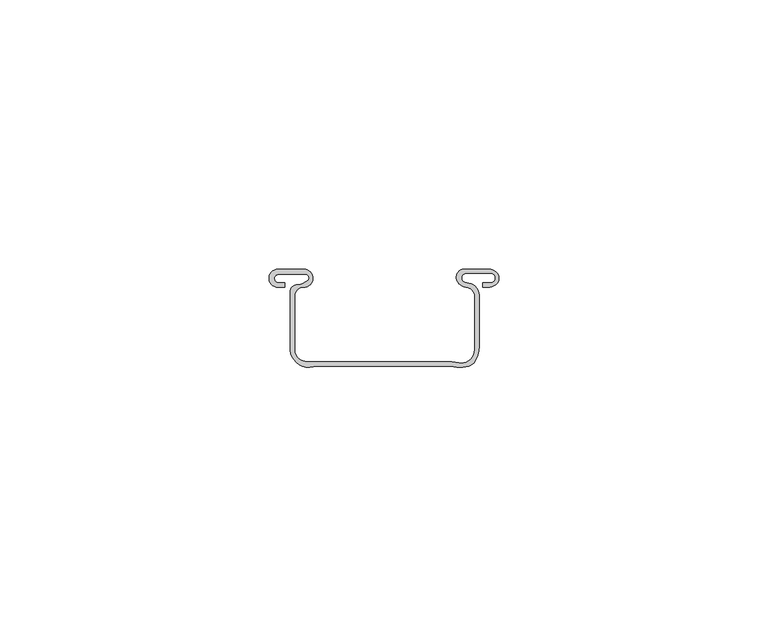
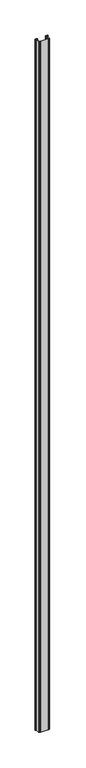
"""IFC4 building model written with IfcOpenShell, lengths in millimetres: proxy geometry."""

from ifc_helpers import new_model, si_unit, frame, origin, place, context, project, spatial, polyline, circle_curve, source, transform, mapped, element, save
from ifc_brep_helpers import plane_surface, cylinder_surface, revolved_surface, advanced_brep


def generic_models_feb479af(model_context):
    return source(origin(), model_context, "Body", "AdvancedBrep", [
        advanced_brep(
        [(-34.2154576, 14.6591098, 2400.0), (-32.9596842, 14.6591098, 2400.0), (-32.9596842, 15.5074259, 2400.0), (-34.3337717, 15.5074259, 2400.0), (-34.0750517, 17.0884922, 2400.0), (-29.8460569, 17.0884922, 2400.0), (-28.8111772, 16.9447589, 2400.0), (-28.6047269, 16.0017225, 2400.0), (-30.5412727, 15.1670708, 2400.0), (-31.94828, 13.7600635, 2400.0), (-31.94828, 2.8794148, 2400.0), (-30.2999777, 0.3, 2400.0), (-27.6632331, -0.1288019, 2400.0), (-26.5426458, 0.0, 2400.0), (-2.0700668, 0.0, 2400.0), (1.2564607, 0.0, 2400.0), (2.3367021, 0.85, 2400.0), (3.1444502, 3.7221981, 2400.0), (3.1444502, 13.1641825, 2400.0), (0.8189992, 15.4896334, 2400.0), (0.8189992, 17.2894243, 2400.0), (5.3026366, 17.2894243, 2400.0), (5.3026366, 15.4896334, 2400.0), (3.8514229, 15.4896334, 2400.0), (3.8514229, 14.6908707, 2400.0), (5.1168794, 14.6908707, 2400.0), (6.5135876, 15.4403864, 2400.0), (6.5518958, 17.2336569, 2400.0), (4.896903, 18.0430633, 2400.0), (0.6302035, 18.0430633, 2400.0), (-1.0459845, 16.3518151, 2400.0), (0.6598988, 14.6905238, 2400.0), (2.3367021, 12.8705255, 2400.0), (2.3367021, 3.0560401, 2400.0), (-0.6701163, 0.5905256, 2400.0), (-1.9233003, 0.85, 2400.0), (-26.7197678, 0.85, 2400.0), (-28.7713465, 0.85, 2400.0), (-31.1290539, 3.0560401, 2400.0), (-31.1290539, 5.0825513, 2400.0), (-31.1286513, 12.9825592, 2400.0), (-29.4522506, 14.6588738, 2400.0), (-29.4225553, 18.0114133, 2400.0), (-34.2293916, 18.0120206, 2400.0), (-34.2154576, 14.6591098, 0.0), (-34.2293916, 18.0120206, 0.0), (-29.4130009, 18.0120206, 0.0), (-29.4522506, 14.6588738, 0.0), (-31.1286513, 12.9825592, 0.0), (-31.1290539, 5.0825513, 0.0), (-31.1290539, 3.0560401, 0.0), (-28.7713465, 0.85, 0.0), (-26.7197678, 0.85, 0.0), (-1.9233003, 0.85, 0.0), (-0.6701163, 0.5905256, 0.0), (2.3367021, 3.0560401, 0.0), (2.3367021, 12.8705255, 0.0), (0.6598988, 14.6905238, 0.0), (-1.0459845, 16.3518151, 0.0), (0.6302035, 18.0430633, 0.0), (4.896903, 18.0430633, 0.0), (6.5518958, 17.2336569, 0.0), (6.5135876, 15.4403864, 0.0), (5.1168794, 14.6908707, 0.0), (3.8514229, 14.6908707, 0.0), (3.8514229, 15.4896334, 0.0), (5.3026366, 15.4896334, 0.0), (5.3026366, 17.2894243, 0.0), (0.8189992, 17.2894243, 0.0), (0.8189992, 15.4896334, 0.0), (3.1444502, 13.1641825, 0.0), (3.1444502, 3.7221981, 0.0), (2.3367021, 0.85, 0.0), (1.2564607, 0.0, 0.0), (-2.0700668, 0.0, 0.0), (-26.5426458, 0.0, 0.0), (-27.6632331, -0.1288019, 0.0), (-30.2999777, 0.3, 0.0), (-31.94828, 2.8794148, 0.0), (-31.94828, 13.7600635, 0.0), (-30.5412727, 15.1670708, 0.0), (-28.6047269, 16.0017225, 0.0), (-28.8111772, 16.9447589, 0.0), (-29.8460569, 17.0884922, 0.0), (-34.0750517, 17.0884922, 0.0), (-34.3337717, 15.5074259, 0.0), (-32.9596842, 15.5074259, 0.0), (-32.9596842, 14.6591098, 0.0)],
        [
            (0, 1),
            (1, 2),
            (2, 3),
            (3, 4, circle_curve(frame((-34.0750517, 16.276791, 2400.0), z_axis=(0.0, 0.0, -1.0), x_axis=(1.0, 0.0, 0.0)), 0.8117011)),
            (4, 5),
            (5, 6, circle_curve(frame((-29.6162577, 14.945613, 2400.0), z_axis=(0.0, 0.0, -1.0), x_axis=(1.0, 0.0, 0.0)), 2.1551656)),
            (6, 7, circle_curve(frame((-29.0294032, 16.4028683, 2400.0), z_axis=(0.0, 0.0, -1.0), x_axis=(1.0, 0.0, 0.0)), 0.5841814)),
            (7, 8, circle_curve(frame((-30.5412727, 17.8309684, 2400.0), z_axis=(0.0, 0.0, -1.0), x_axis=(1.0, 0.0, 0.0)), 2.6638976)),
            (8, 9, circle_curve(frame((-30.5412727, 13.7600635, 2400.0), z_axis=(0.0, 0.0, 1.0), x_axis=(1.0, 0.0, 0.0)), 1.4070073)),
            (9, 10),
            (10, 11, circle_curve(frame((-28.4601556, 3.2920443, 2400.0), z_axis=(0.0, 0.0, 1.0), x_axis=(1.0, 0.0, 0.0)), 3.5124457)),
            (11, 12, circle_curve(frame((-28.4601556, 3.2920443, 2400.0), z_axis=(0.0, 0.0, 1.0), x_axis=(1.0, 0.0, 0.0)), 3.5124457)),
            (12, 13, circle_curve(frame((-26.5426458, -4.9390017, 2400.0), z_axis=(0.0, 0.0, -1.0), x_axis=(1.0, 0.0, 0.0)), 4.9390017)),
            (13, 14),
            (14, 15, circle_curve(frame((-0.4068031, 5.1771054, 2400.0), z_axis=(0.0, 0.0, 1.0), x_axis=(1.0, 0.0, 0.0)), 5.4377262)),
            (15, 16, circle_curve(frame((0.6529983, 1.8783482, 2400.0), z_axis=(0.0, 0.0, 1.0), x_axis=(1.0, 0.0, 0.0)), 1.9729062)),
            (16, 17, circle_curve(frame((-2.3659182, 3.7221981, 2400.0), z_axis=(0.0, 0.0, 1.0), x_axis=(1.0, 0.0, 0.0)), 5.5103684)),
            (17, 18),
            (18, 19, circle_curve(frame((0.8189992, 13.1641825, 2400.0), z_axis=(0.0, 0.0, 1.0), x_axis=(1.0, 0.0, 0.0)), 2.325451)),
            (19, 20, circle_curve(frame((0.8189992, 16.3895289, 2400.0), z_axis=(0.0, 0.0, -1.0), x_axis=(1.0, 0.0, 0.0)), 0.8998954)),
            (20, 21),
            (21, 22, circle_curve(frame((5.3026366, 16.3895289, 2400.0), z_axis=(0.0, 0.0, -1.0), x_axis=(1.0, 0.0, 0.0)), 0.8998954)),
            (22, 23),
            (23, 24),
            (24, 25),
            (25, 26, circle_curve(frame((4.8617471, 16.8424322, 2400.0), z_axis=(0.0, 0.0, 1.0), x_axis=(1.0, 0.0, 0.0)), 2.1666355)),
            (26, 27, circle_curve(frame((5.4294356, 16.3605907, 2400.0), z_axis=(0.0, 0.0, 1.0), x_axis=(1.0, 0.0, 0.0)), 1.4220272)),
            (27, 28, circle_curve(frame((4.896903, 15.9463788, 2400.0), z_axis=(0.0, 0.0, 1.0), x_axis=(1.0, 0.0, 0.0)), 2.0966845)),
            (28, 29),
            (29, 30, circle_curve(frame((0.4780769, 16.5175803, 2400.0), z_axis=(0.0, 0.0, 1.0), x_axis=(1.0, 0.0, 0.0)), 1.5330496)),
            (30, 31, circle_curve(frame((0.8127735, 16.5539837, 2400.0), z_axis=(0.0, 0.0, 1.0), x_axis=(1.0, 0.0, 0.0)), 1.8697201)),
            (31, 32, circle_curve(frame((0.5105896, 12.8705255, 2400.0), z_axis=(0.0, 0.0, -1.0), x_axis=(1.0, 0.0, 0.0)), 1.8261125)),
            (32, 33),
            (33, 34, circle_curve(frame((-0.163237, 3.038601, 2400.0), z_axis=(0.0, 0.0, -1.0), x_axis=(1.0, 0.0, 0.0)), 2.5)),
            (34, 35),
            (35, 36),
            (36, 37, circle_curve(frame((-27.7455572, -14.5662271, 2400.0), z_axis=(0.0, 0.0, 1.0), x_axis=(1.0, 0.0, 0.0)), 15.4503172)),
            (37, 38, circle_curve(frame((-28.9181355, 3.0560401, 2400.0), z_axis=(0.0, 0.0, -1.0), x_axis=(1.0, 0.0, 0.0)), 2.2109184)),
            (38, 39),
            (39, 40, circle_curve(frame((-459.156208, 9.0543688, 2400.0), z_axis=(0.0, 0.0, 1.0), x_axis=(1.0, 0.0, 0.0)), 428.0455816)),
            (40, 41, circle_curve(frame((-29.4675803, 12.9978035, 2400.0), z_axis=(0.0, 0.0, -1.0), x_axis=(1.0, 0.0, 0.0)), 1.6611409)),
            (41, 42, circle_curve(frame((-29.4367806, 16.335138, 2400.0), z_axis=(0.0, 0.0, 1.0), x_axis=(1.0, 0.0, 0.0)), 1.6763356)),
            (42, 43),
            (43, 0, circle_curve(frame((-34.2154576, 16.3355942, 2400.0), z_axis=(0.0, 0.0, 1.0), x_axis=(1.0, 0.0, 0.0)), 1.6764844)),
            (44, 45, circle_curve(frame((-34.2154576, 16.3355942, 0.0), z_axis=(0.0, 0.0, -1.0), x_axis=(1.0, 0.0, 0.0)), 1.6764844)),
            (45, 46),
            (46, 47, circle_curve(frame((-29.4367806, 16.335138, 0.0), z_axis=(0.0, 0.0, -1.0), x_axis=(1.0, 0.0, 0.0)), 1.6763356)),
            (47, 48, circle_curve(frame((-29.4675803, 12.9978035, 0.0), z_axis=(0.0, 0.0, 1.0), x_axis=(1.0, 0.0, 0.0)), 1.6611409)),
            (48, 49, circle_curve(frame((-459.156208, 9.0543688, 0.0), z_axis=(0.0, 0.0, -1.0), x_axis=(1.0, 0.0, 0.0)), 428.0455816)),
            (49, 50),
            (50, 51, circle_curve(frame((-28.9181355, 3.0560401, 0.0), z_axis=(0.0, 0.0, 1.0), x_axis=(1.0, 0.0, 0.0)), 2.2109184)),
            (51, 52, circle_curve(frame((-27.7455572, -14.5662271, 0.0), z_axis=(0.0, 0.0, -1.0), x_axis=(1.0, 0.0, 0.0)), 15.4503172)),
            (52, 53),
            (53, 54),
            (54, 55, circle_curve(frame((-0.163237, 3.038601, 0.0), z_axis=(0.0, 0.0, 1.0), x_axis=(1.0, 0.0, 0.0)), 2.5)),
            (55, 56),
            (56, 57, circle_curve(frame((0.5105896, 12.8705255, 0.0), z_axis=(0.0, 0.0, 1.0), x_axis=(1.0, 0.0, 0.0)), 1.8261125)),
            (57, 58, circle_curve(frame((0.8127735, 16.5539837, 0.0), z_axis=(0.0, 0.0, -1.0), x_axis=(1.0, 0.0, 0.0)), 1.8697201)),
            (58, 59, circle_curve(frame((0.4780769, 16.5175803, 0.0), z_axis=(0.0, 0.0, -1.0), x_axis=(1.0, 0.0, 0.0)), 1.5330496)),
            (59, 60),
            (60, 61, circle_curve(frame((4.896903, 15.9463788, 0.0), z_axis=(0.0, 0.0, -1.0), x_axis=(1.0, 0.0, 0.0)), 2.0966845)),
            (61, 62, circle_curve(frame((5.4294356, 16.3605907, 0.0), z_axis=(0.0, 0.0, -1.0), x_axis=(1.0, 0.0, 0.0)), 1.4220272)),
            (62, 63, circle_curve(frame((4.8617471, 16.8424322, 0.0), z_axis=(0.0, 0.0, -1.0), x_axis=(1.0, 0.0, 0.0)), 2.1666355)),
            (63, 64),
            (64, 65),
            (65, 66),
            (66, 67, circle_curve(frame((5.3026366, 16.3895289, 0.0), z_axis=(0.0, 0.0, 1.0), x_axis=(1.0, 0.0, 0.0)), 0.8998954)),
            (67, 68),
            (68, 69, circle_curve(frame((0.8189992, 16.3895289, 0.0), z_axis=(0.0, 0.0, 1.0), x_axis=(1.0, 0.0, 0.0)), 0.8998954)),
            (69, 70, circle_curve(frame((0.8189992, 13.1641825, 0.0), z_axis=(0.0, 0.0, -1.0), x_axis=(1.0, 0.0, 0.0)), 2.325451)),
            (70, 71),
            (71, 72, circle_curve(frame((-2.3659182, 3.7221981, 0.0), z_axis=(0.0, 0.0, -1.0), x_axis=(1.0, 0.0, 0.0)), 5.5103684)),
            (72, 73, circle_curve(frame((0.6529983, 1.8783482, 0.0), z_axis=(0.0, 0.0, -1.0), x_axis=(1.0, 0.0, 0.0)), 1.9729062)),
            (73, 74, circle_curve(frame((-0.4068031, 5.1771054, 0.0), z_axis=(0.0, 0.0, -1.0), x_axis=(1.0, 0.0, 0.0)), 5.4377262)),
            (74, 75),
            (75, 76, circle_curve(frame((-26.5426458, -4.9390017, 0.0), z_axis=(0.0, 0.0, 1.0), x_axis=(1.0, 0.0, 0.0)), 4.9390017)),
            (76, 77, circle_curve(frame((-28.4601556, 3.2920443, 0.0), z_axis=(0.0, 0.0, -1.0), x_axis=(1.0, 0.0, 0.0)), 3.5124457)),
            (77, 78, circle_curve(frame((-28.4601556, 3.2920443, 0.0), z_axis=(0.0, 0.0, -1.0), x_axis=(1.0, 0.0, 0.0)), 3.5124457)),
            (78, 79),
            (79, 80, circle_curve(frame((-30.5412727, 13.7600635, 0.0), z_axis=(0.0, 0.0, -1.0), x_axis=(1.0, 0.0, 0.0)), 1.4070073)),
            (80, 81, circle_curve(frame((-30.5412727, 17.8309684, 0.0), z_axis=(0.0, 0.0, 1.0), x_axis=(1.0, 0.0, 0.0)), 2.6638976)),
            (81, 82, circle_curve(frame((-29.0294032, 16.4028683, 0.0), z_axis=(0.0, 0.0, 1.0), x_axis=(1.0, 0.0, 0.0)), 0.5841814)),
            (82, 83, circle_curve(frame((-29.6162577, 14.945613, 0.0), z_axis=(0.0, 0.0, 1.0), x_axis=(1.0, 0.0, 0.0)), 2.1551656)),
            (83, 84),
            (84, 85, circle_curve(frame((-34.0750517, 16.276791, 0.0), z_axis=(0.0, 0.0, 1.0), x_axis=(1.0, 0.0, 0.0)), 0.8117011)),
            (85, 86),
            (86, 87),
            (87, 44),
            (0, 44),
            (87, 1),
            (86, 2),
            (85, 3),
            (84, 4),
            (5, 83),
            (82, 6),
            (81, 7),
            (80, 8),
            (79, 9),
            (78, 10),
            (77, 11),
            (76, 12),
            (75, 13),
            (74, 14),
            (73, 15),
            (72, 16),
            (71, 17),
            (70, 18),
            (69, 19),
            (68, 20),
            (67, 21),
            (66, 22),
            (65, 23),
            (64, 24),
            (63, 25),
            (62, 26),
            (61, 27),
            (60, 28),
            (59, 29),
            (58, 30),
            (57, 31),
            (56, 32),
            (55, 33),
            (54, 34),
            (53, 35),
            (39, 49),
            (48, 40),
            (47, 41),
            (46, 42),
            (43, 45),
            (36, 52),
            (51, 37),
            (50, 38),
        ],
        [
            plane_surface(frame((-32.9596842, 14.6591098, 2400.0), z_axis=(0.0, 0.0, 1.0), x_axis=(1.0, 0.0, 0.0))),
            plane_surface(frame((-32.9596842, 14.6591098, 0.0), z_axis=(0.0, 0.0, -1.0), x_axis=(-1.0, 0.0, 0.0))),
            plane_surface(frame((-34.2154576, 14.6591098, 2400.0), z_axis=(0.0, -1.0, 0.0), x_axis=(0.0, 0.0, -1.0))),
            plane_surface(frame((-32.9596842, 14.6591098, 2400.0), z_axis=(1.0, 0.0, 0.0), x_axis=(0.0, 0.0, -1.0))),
            plane_surface(frame((-32.9596842, 15.5074259, 2400.0), z_axis=(0.0, 1.0, 0.0), x_axis=(0.0, 0.0, -1.0))),
            revolved_surface(polyline([(-33.2633506, 16.276791, 0.0), (-33.2633506, 16.276791, 2400.0)]), (-34.0750517, 16.276791, 0.0), (0.0, 0.0, -1.0)),
            revolved_surface(polyline([(-27.4610921, 14.945613, 0.0), (-27.4610921, 14.945613, 2400.0)]), (-29.6162577, 14.945613, 0.0), (0.0, 0.0, -1.0)),
            revolved_surface(polyline([(-28.445221800000002, 16.4028683, 0.0), (-28.445221800000002, 16.4028683, 2400.0)]), (-29.0294032, 16.4028683, 0.0), (0.0, 0.0, -1.0)),
            revolved_surface(polyline([(-27.877375100000002, 17.8309684, 0.0), (-27.877375100000002, 17.8309684, 2400.0)]), (-30.5412727, 17.8309684, 0.0), (0.0, 0.0, -1.0)),
            cylinder_surface(frame((-30.5412727, 13.7600635, 0.0), z_axis=(0.0, 0.0, 1.0), x_axis=(1.0, 0.0, 0.0)), 1.4070073),
            plane_surface(frame((-31.94828, 13.7600635, 2400.0), z_axis=(-1.0, 0.0, 0.0), x_axis=(0.0, 0.0, -1.0))),
            cylinder_surface(frame((-28.4601556, 3.2920443, 0.0), z_axis=(0.0, 0.0, 1.0), x_axis=(1.0, 0.0, 0.0)), 3.5124457),
            revolved_surface(polyline([(-21.603644099999997, -4.9390017, 0.0), (-21.603644099999997, -4.9390017, 2400.0)]), (-26.5426458, -4.9390017, 0.0), (0.0, 0.0, -1.0)),
            plane_surface(frame((-26.5426458, 0.0, 2400.0), z_axis=(0.0, -1.0, 0.0), x_axis=(0.0, 0.0, -1.0))),
            cylinder_surface(frame((-0.4068031, 5.1771054, 0.0), z_axis=(0.0, 0.0, 1.0), x_axis=(1.0, 0.0, 0.0)), 5.4377262),
            cylinder_surface(frame((0.6529983, 1.8783482, 0.0), z_axis=(0.0, 0.0, 1.0), x_axis=(1.0, 0.0, 0.0)), 1.9729062),
            cylinder_surface(frame((-2.3659182, 3.7221981, 0.0), z_axis=(0.0, 0.0, 1.0), x_axis=(1.0, 0.0, 0.0)), 5.5103684),
            plane_surface(frame((3.1444502, 3.7221981, 2400.0), z_axis=(1.0, 0.0, 0.0), x_axis=(0.0, 0.0, -1.0))),
            cylinder_surface(frame((0.8189992, 13.1641825, 0.0), z_axis=(0.0, 0.0, 1.0), x_axis=(1.0, 0.0, 0.0)), 2.325451),
            revolved_surface(polyline([(1.7188946, 16.3895289, 0.0), (1.7188946, 16.3895289, 2400.0)]), (0.8189992, 16.3895289, 0.0), (0.0, 0.0, -1.0)),
            plane_surface(frame((0.8189992, 17.2894243, 2400.0), z_axis=(0.0, -1.0, 0.0), x_axis=(0.0, 0.0, -1.0))),
            revolved_surface(polyline([(6.202532, 16.3895289, 0.0), (6.202532, 16.3895289, 2400.0)]), (5.3026366, 16.3895289, 0.0), (0.0, 0.0, -1.0)),
            plane_surface(frame((5.3026366, 15.4896334, 2400.0), z_axis=(0.0, 1.0, 0.0), x_axis=(0.0, 0.0, -1.0))),
            plane_surface(frame((3.8514229, 15.4896334, 2400.0), z_axis=(-1.0, 0.0, 0.0), x_axis=(0.0, 0.0, -1.0))),
            plane_surface(frame((3.8514229, 14.6908707, 2400.0), z_axis=(0.0, -1.0, 0.0), x_axis=(0.0, 0.0, -1.0))),
            cylinder_surface(frame((4.8617471, 16.8424322, 0.0), z_axis=(0.0, 0.0, 1.0), x_axis=(1.0, 0.0, 0.0)), 2.1666355),
            cylinder_surface(frame((5.4294356, 16.3605907, 0.0), z_axis=(0.0, 0.0, 1.0), x_axis=(1.0, 0.0, 0.0)), 1.4220272),
            cylinder_surface(frame((4.896903, 15.9463788, 0.0), z_axis=(0.0, 0.0, 1.0), x_axis=(1.0, 0.0, 0.0)), 2.0966845),
            plane_surface(frame((4.896903, 18.0430633, 2400.0), z_axis=(0.0, 1.0, 0.0), x_axis=(0.0, 0.0, -1.0))),
            cylinder_surface(frame((0.4780769, 16.5175803, 0.0), z_axis=(0.0, 0.0, 1.0), x_axis=(1.0, 0.0, 0.0)), 1.5330496),
            cylinder_surface(frame((0.8127735, 16.5539837, 0.0), z_axis=(0.0, 0.0, 1.0), x_axis=(1.0, 0.0, 0.0)), 1.8697201),
            revolved_surface(polyline([(2.3367021, 12.8705255, 0.0), (2.3367021, 12.8705255, 2400.0)]), (0.5105896, 12.8705255, 0.0), (0.0, 0.0, -1.0)),
            plane_surface(frame((2.3367021, 12.8705255, 2400.0), z_axis=(-1.0, 0.0, 0.0), x_axis=(0.0, 0.0, -1.0))),
            revolved_surface(polyline([(2.336763, 3.038601, 0.0), (2.336763, 3.038601, 2400.0)]), (-0.163237, 3.038601, 0.0), (0.0, 0.0, -1.0)),
            plane_surface(frame((-0.6701163, 0.5905256, 2400.0), z_axis=(0.20275171483563129, 0.979230178319281, 0.0), x_axis=(0.0, 0.0, -1.0))),
            cylinder_surface(frame((-459.156208, 9.0543688, 0.0), z_axis=(0.0, 0.0, 1.0), x_axis=(1.0, 0.0, 0.0)), 428.0455816),
            revolved_surface(polyline([(-27.806439400000002, 12.9978035, 0.0), (-27.806439400000002, 12.9978035, 2400.0)]), (-29.4675803, 12.9978035, 0.0), (0.0, 0.0, -1.0)),
            cylinder_surface(frame((-29.4367806, 16.335138, 0.0), z_axis=(0.0, 0.0, 1.0), x_axis=(1.0, 0.0, 0.0)), 1.6763356),
            cylinder_surface(frame((-34.2154576, 16.3355942, 0.0), z_axis=(0.0, 0.0, 1.0), x_axis=(1.0, 0.0, 0.0)), 1.6764844),
            cylinder_surface(frame((-27.7455572, -14.5662271, 0.0), z_axis=(0.0, 0.0, 1.0), x_axis=(1.0, 0.0, 0.0)), 15.4503172),
            revolved_surface(polyline([(-26.7072171, 3.0560401, 0.0), (-26.7072171, 3.0560401, 2400.0)]), (-28.9181355, 3.0560401, 0.0), (0.0, 0.0, -1.0)),
            plane_surface(frame((-31.1290539, 3.0560401, 2400.0), z_axis=(1.0, 0.0, 0.0), x_axis=(0.0, 0.0, -1.0))),
            plane_surface(frame((-34.0750517, 17.0884922, 2400.0), z_axis=(0.0, -1.0, 0.0), x_axis=(0.0, 0.0, -1.0))),
            plane_surface(frame((-1.9233003, 0.85, 2400.0), z_axis=(0.0, 1.0, 0.0), x_axis=(0.0, 0.0, -1.0))),
            plane_surface(frame((-29.4130009, 18.0120206, 2400.0), z_axis=(0.0, 1.0, 0.0), x_axis=(0.0, 0.0, -1.0))),
        ],
        [
            (0, [[1, 2, 3, 4, 5, 6, 7, 8, 9, 10, 11, 12, 13, 14, 15, 16, 17, 18, 19, 20, 21, 22, 23, 24, 25, 26, 27, 28, 29, 30, 31, 32, 33, 34, 35, 36, 37, 38, 39, 40, 41, 42, 43, 44]]),
            (1, [[45, 46, 47, 48, 49, 50, 51, 52, 53, 54, 55, 56, 57, 58, 59, 60, 61, 62, 63, 64, 65, 66, 67, 68, 69, 70, 71, 72, 73, 74, 75, 76, 77, 78, 79, 80, 81, 82, 83, 84, 85, 86, 87, 88]]),
            (2, [[-1, 89, -88, 90]]),
            (3, [[-2, -90, -87, 91]]),
            (4, [[-3, -91, -86, 92]]),
            (5, [[-4, -92, -85, 93]]),
            (6, [[-6, 94, -83, 95]]),
            (7, [[-7, -95, -82, 96]]),
            (8, [[-8, -96, -81, 97]]),
            (9, [[-9, -97, -80, 98]]),
            (10, [[-10, -98, -79, 99]]),
            (11, [[-11, -99, -78, 100]]),
            (11, [[-12, -100, -77, 101]]),
            (12, [[-13, -101, -76, 102]]),
            (13, [[-14, -102, -75, 103]]),
            (14, [[-15, -103, -74, 104]]),
            (15, [[-16, -104, -73, 105]]),
            (16, [[-17, -105, -72, 106]]),
            (17, [[-18, -106, -71, 107]]),
            (18, [[-19, -107, -70, 108]]),
            (19, [[-20, -108, -69, 109]]),
            (20, [[-21, -109, -68, 110]]),
            (21, [[-22, -110, -67, 111]]),
            (22, [[-23, -111, -66, 112]]),
            (23, [[-24, -112, -65, 113]]),
            (24, [[-25, -113, -64, 114]]),
            (25, [[-26, -114, -63, 115]]),
            (26, [[-27, -115, -62, 116]]),
            (27, [[-28, -116, -61, 117]]),
            (28, [[-29, -117, -60, 118]]),
            (29, [[-30, -118, -59, 119]]),
            (30, [[-31, -119, -58, 120]]),
            (31, [[-32, -120, -57, 121]]),
            (32, [[-33, -121, -56, 122]]),
            (33, [[-34, -122, -55, 123]]),
            (34, [[-35, -123, -54, 124]]),
            (35, [[-40, 125, -49, 126]]),
            (36, [[-41, -126, -48, 127]]),
            (37, [[-42, -127, -47, 128]]),
            (38, [[-44, 129, -45, -89]]),
            (39, [[-37, 130, -52, 131]]),
            (40, [[-38, -131, -51, 132]]),
            (41, [[-39, -132, -50, -125]]),
            (42, [[-5, -93, -84, -94]]),
            (43, [[-36, -124, -53, -130]]),
            (44, [[-43, -128, -46, -129]]),
        ],
    ),
    ])


if __name__ == "__main__":
    model = new_model("IFC4")
    model_context = context("Model", 3, world=origin())
    ifc_project = project(units=[si_unit("LENGTHUNIT", "METRE", prefix="MILLI")], contexts=[model_context])
    site = spatial("IfcSite", under=ifc_project)
    building = spatial("IfcBuilding", under=site)
    placement = place(None, origin())
    generic_models_shape = generic_models_feb479af(model_context)
    element("IfcBuildingElementProxy", 1, Name="Generic Models", at=placement, inside=building, context=model_context, shape_type="MappedRepresentation", body=[
        mapped(generic_models_shape, transform((0.0, 0.0, 0.0), x_axis=(1.0, 0.0, 0.0), y_axis=(0.0, 1.0, 0.0), z_axis=(0.0, 0.0, 1.0))),
    ])
    save(model, "model.ifc")
